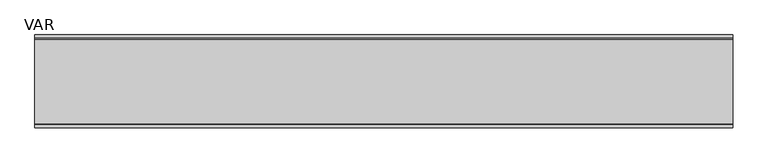
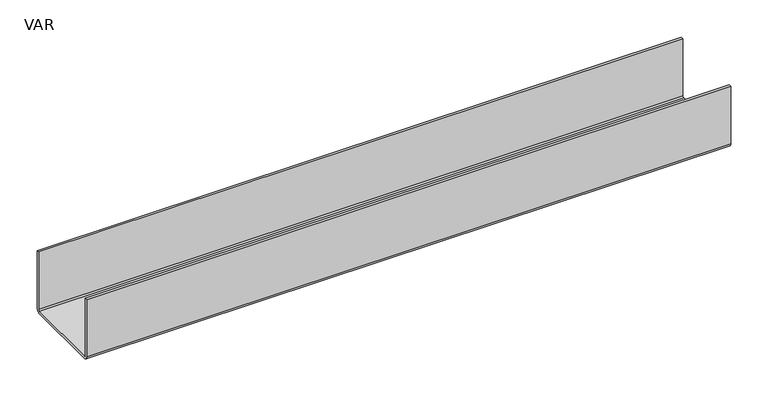
"""IFC4 building model written with IfcOpenShell, lengths in millimetres: sanitary terminal geometry, VAR."""

from ifc_helpers import new_model, si_unit, point, frame, frame_2d, origin, place, context, project, spatial, polyline, circle_curve, trimmed, segment, composite_curve, outline, extrude, source, transform, mapped, element, save


def var_e97c153a(model_context):
    return source(origin(), model_context, "Body", "SweptSolid", [
        extrude(outline(composite_curve([segment(trimmed(circle_curve(frame_2d((60.5, -94.0)), 6.0), [point((66.5, -94.0))], [point((60.5, -100.0))], False, "CARTESIAN"), True, "CONTINUOUS"), segment(polyline([(60.5, -100.0), (-60.5, -100.0)]), True, "CONTINUOUS"), segment(trimmed(circle_curve(frame_2d((-60.5, -94.0)), 6.0), [point((-60.5, -100.0))], [point((-66.5, -94.0))], False, "CARTESIAN"), True, "CONTINUOUS"), segment(polyline([(-66.5, -94.0), (-66.5, 0.0), (-62.5, 0.0), (-62.5, -94.0)]), True, "CONTINUOUS"), segment(trimmed(circle_curve(frame_2d((-60.5, -94.0)), 2.0), [point((-62.5, -94.0))], [point((-60.5, -96.0))], True, "CARTESIAN"), True, "CONTINUOUS"), segment(polyline([(-60.5, -96.0), (60.5, -96.0)]), True, "CONTINUOUS"), segment(trimmed(circle_curve(frame_2d((60.5, -94.0)), 2.0), [point((60.5, -96.0))], [point((62.5, -94.0))], True, "CARTESIAN"), True, "CONTINUOUS"), segment(polyline([(62.5, -94.0), (62.5, 0.0), (66.5, 0.0), (66.5, -94.0)]), True, "CONTINUOUS")], self_intersect=False)), frame((0.0, 0.0, 0.0), z_axis=(1.0, 0.0, 0.0), x_axis=(0.0, 1.0, 0.0)), (0.0, 0.0, 1.0), 1000.0),
    ])


if __name__ == "__main__":
    model = new_model("IFC4")
    model_context = context("Model", 3, world=origin())
    ifc_project = project(units=[si_unit("LENGTHUNIT", "METRE", prefix="MILLI")], contexts=[model_context])
    site = spatial("IfcSite", under=ifc_project)
    building = spatial("IfcBuilding", under=site)
    placement = place(None, origin())
    var_shape = var_e97c153a(model_context)
    element("IfcSanitaryTerminal", 1, ObjectType="VAR", at=placement, inside=building, context=model_context, shape_type="MappedRepresentation", body=[
        mapped(var_shape, transform((0.0, 0.0, 0.0), x_axis=(1.0, 0.0, 0.0), y_axis=(0.0, 1.0, 0.0), z_axis=(0.0, 0.0, 1.0))),
    ])
    save(model, "model.ifc")
